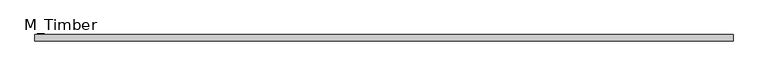
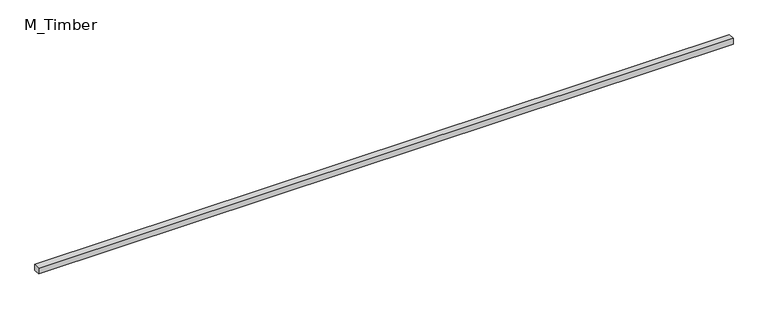
"""IFC4 building model written with IfcOpenShell, lengths in millimetres: beam geometry, M_Timber."""

from ifc_helpers import new_model, si_unit, frame, origin, place, context, project, spatial, polyline, outline, extrude, source, transform, mapped, element, save


def m_timber_30c85039(model_context):
    return source(origin(), model_context, "Body", "SweptSolid", [
        extrude(outline(polyline([(2224.5586214, 20.0), (2224.5586214, -20.0), (-2224.5586214, -20.0), (-2224.5586214, 20.0), (2224.5586214, 20.0)])), frame((0.0, 0.0, -20.0), z_axis=(0.0, 0.0, 1.0), x_axis=(1.0, 0.0, 0.0)), (0.0, 0.0, 1.0), 40.0),
    ])


if __name__ == "__main__":
    model = new_model("IFC4")
    model_context = context("Model", 3, world=origin())
    ifc_project = project(units=[si_unit("LENGTHUNIT", "METRE", prefix="MILLI")], contexts=[model_context])
    site = spatial("IfcSite", under=ifc_project)
    building = spatial("IfcBuilding", under=site)
    placement = place(None, origin())
    m_timber_shape = m_timber_30c85039(model_context)
    element("IfcBeam", 1, ObjectType="M_Timber", at=placement, inside=building, context=model_context, shape_type="MappedRepresentation", body=[
        mapped(m_timber_shape, transform((0.0, 0.0, 0.0), x_axis=(1.0, 0.0, 0.0), y_axis=(0.0, 1.0, 0.0), z_axis=(0.0, 0.0, 1.0))),
    ])
    save(model, "model.ifc")
